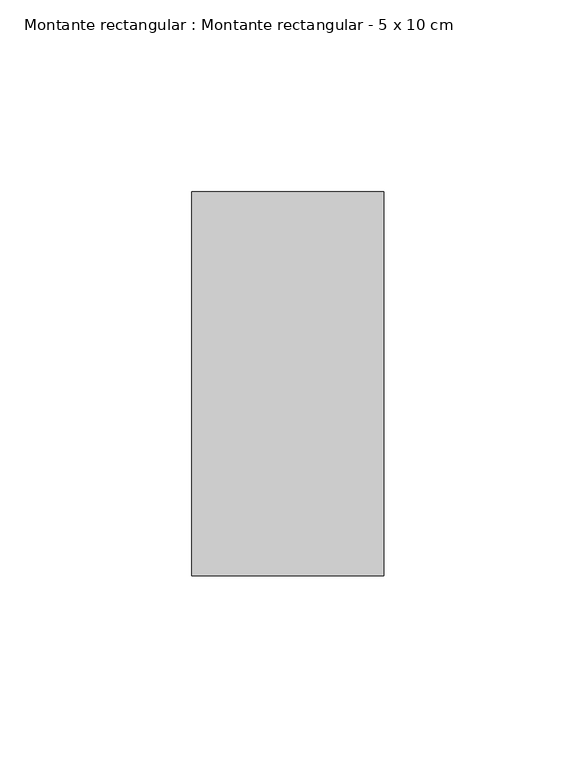
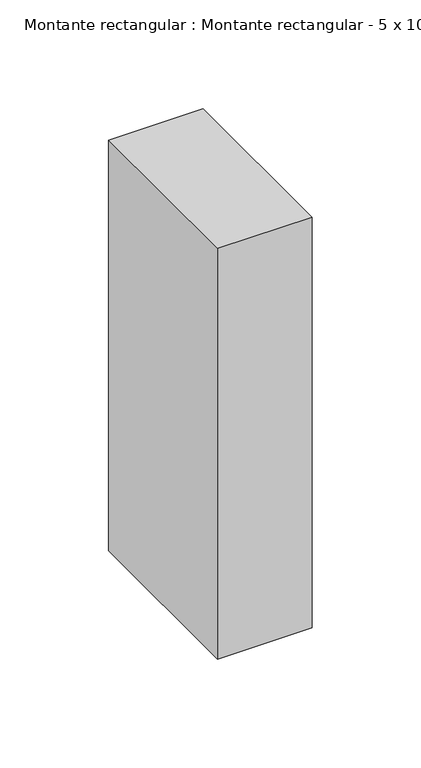
"""IFC4 building model written with IfcOpenShell, lengths in millimetres: member geometry, Montante rectangular : Montante rectangular - 5 x 10 cm."""

from ifc_helpers import new_model, si_unit, frame, origin, place, context, project, spatial, polyline, outline, extrude, source, transform, mapped, element, save


def montante_rectangular_montante_rectangular_5_x_10_cm_05c9ba68(model_context):
    return source(origin(), model_context, "Body", "SweptSolid", [
        extrude(outline(polyline([(-50.0, 50.0), (0.0, 50.0), (0.0, -50.0), (-50.0, -50.0), (-50.0, 50.0)])), frame((0.0, 0.0, -230.0), z_axis=(0.0, 0.0, 1.0), x_axis=(1.0, 0.0, 0.0)), (0.0, 0.0, 1.0), 230.0),
    ])


if __name__ == "__main__":
    model = new_model("IFC4")
    model_context = context("Model", 3, world=origin())
    ifc_project = project(units=[si_unit("LENGTHUNIT", "METRE", prefix="MILLI")], contexts=[model_context])
    site = spatial("IfcSite", under=ifc_project)
    building = spatial("IfcBuilding", under=site)
    placement = place(None, origin())
    montante_rectangular_montante_rectangular_5_x_10_cm_shape = montante_rectangular_montante_rectangular_5_x_10_cm_05c9ba68(model_context)
    element("IfcMember", 1, ObjectType="Montante rectangular : Montante rectangular - 5 x 10 cm", at=placement, inside=building, context=model_context, shape_type="MappedRepresentation", body=[
        mapped(montante_rectangular_montante_rectangular_5_x_10_cm_shape, transform((0.0, 0.0, 0.0), x_axis=(1.0, 0.0, 0.0), y_axis=(0.0, 1.0, 0.0), z_axis=(0.0, 0.0, 1.0))),
    ])
    save(model, "model.ifc")
